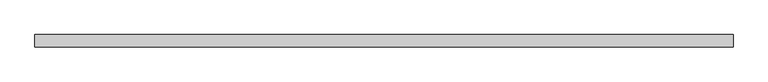
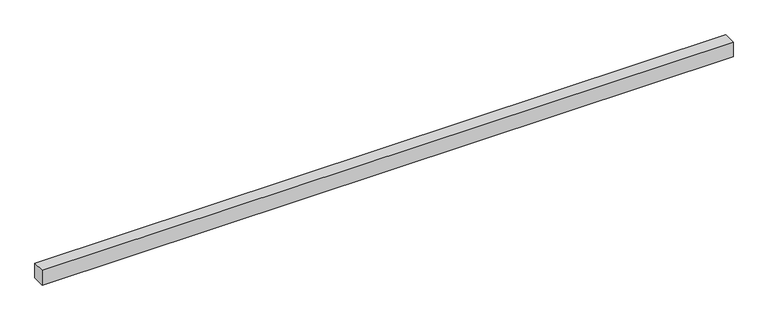
"""IFC4 building model written with IfcOpenShell, lengths in millimetres: proxy geometry."""

from ifc_helpers import new_model, si_unit, frame, origin, place, context, project, spatial, polyline, outline, extrude, source, transform, mapped, element, save


def generic_models_ad022769(model_context):
    return source(origin(), model_context, "Body", "SweptSolid", [
        extrude(outline(polyline([(40.0, 0.0), (-40.0, 0.0), (-40.0, 4445.0622818), (40.0, 4445.0622818), (40.0, 0.0)])), frame((4445.0622818, 0.0, 0.0), z_axis=(0.0, -1.9783474858313244e-12, 1.0), x_axis=(0.0, 1.0, 1.9783474858313244e-12)), (0.0, 0.0, 1.0), 100.0),
    ])


if __name__ == "__main__":
    model = new_model("IFC4")
    model_context = context("Model", 3, world=origin())
    ifc_project = project(units=[si_unit("LENGTHUNIT", "METRE", prefix="MILLI")], contexts=[model_context])
    site = spatial("IfcSite", under=ifc_project)
    building = spatial("IfcBuilding", under=site)
    placement = place(None, origin())
    generic_models_shape = generic_models_ad022769(model_context)
    element("IfcBuildingElementProxy", 1, Name="Generic Models", at=placement, inside=building, context=model_context, shape_type="MappedRepresentation", body=[
        mapped(generic_models_shape, transform((0.0, 0.0, 0.0), x_axis=(1.0, 0.0, 0.0), y_axis=(0.0, 1.0, 0.0), z_axis=(0.0, 0.0, 1.0))),
    ])
    save(model, "model.ifc")
